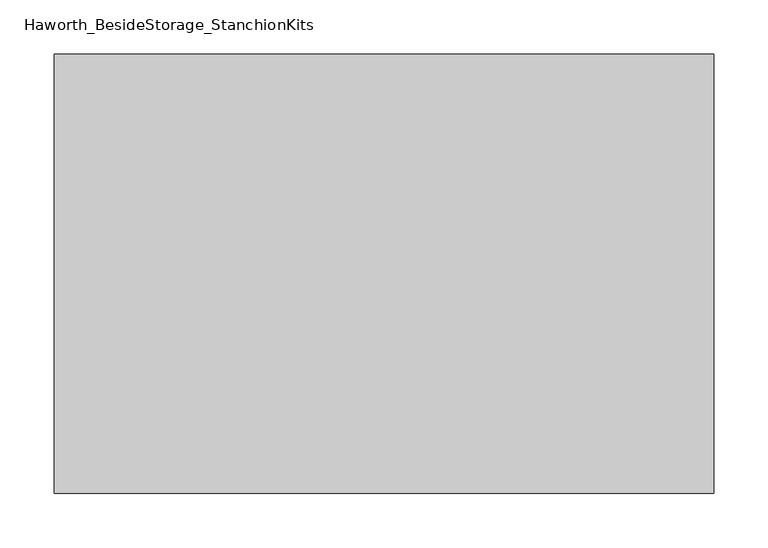
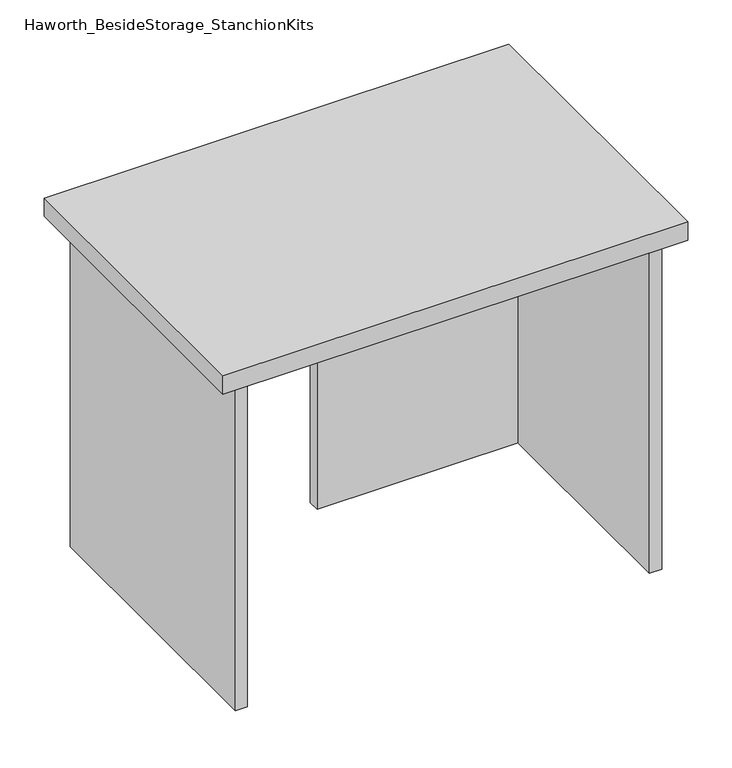
"""IFC4 building model written with IfcOpenShell, lengths in millimetres: furniture geometry, Haworth_BesideStorage_StanchionKits."""

from ifc_helpers import new_model, si_unit, frame, origin, place, context, project, spatial, polyline, outline, extrude, source, transform, mapped, element, save


def haworth_besidestorage_stanchionkits_585f1dd5(model_context):
    return source(origin(), model_context, "Body", "SweptSolid", [
        extrude(outline(polyline([(466.725, 0.0), (466.725, -406.4), (-142.875, -406.4), (-142.875, 0.0), (466.725, 0.0)])), frame((0.0, 0.0, 889.0), z_axis=(0.0, 0.0, 1.0), x_axis=(1.0, 0.0, 0.0)), (0.0, 0.0, 1.0), 25.4),
        extrude(outline(polyline([(161.925, -76.2), (425.45, -76.2), (425.45, -92.075), (161.925, -92.075), (161.925, -76.2)])), frame((0.0, 0.0, 431.8), z_axis=(0.0, 0.0, 1.0), x_axis=(1.0, 0.0, 0.0)), (0.0, 0.0, 1.0), 457.2),
        extrude(outline(polyline([(441.325, -390.525), (425.45, -390.525), (425.45, -15.875), (441.325, -15.875), (441.325, -390.525)])), frame((0.0, 0.0, 431.8), z_axis=(0.0, 0.0, 1.0), x_axis=(1.0, 0.0, 0.0)), (0.0, 0.0, 1.0), 457.2),
        extrude(outline(polyline([(-101.6, -390.525), (-117.475, -390.525), (-117.475, -15.875), (-101.6, -15.875), (-101.6, -390.525)])), frame((0.0, 0.0, 431.8), z_axis=(0.0, 0.0, 1.0), x_axis=(1.0, 0.0, 0.0)), (0.0, 0.0, 1.0), 457.2),
    ])


if __name__ == "__main__":
    model = new_model("IFC4")
    model_context = context("Model", 3, world=origin())
    ifc_project = project(units=[si_unit("LENGTHUNIT", "METRE", prefix="MILLI")], contexts=[model_context])
    site = spatial("IfcSite", under=ifc_project)
    building = spatial("IfcBuilding", under=site)
    placement = place(None, origin())
    haworth_besidestorage_stanchionkits_shape = haworth_besidestorage_stanchionkits_585f1dd5(model_context)
    element("IfcFurniture", 1, ObjectType="Haworth_BesideStorage_StanchionKits", at=placement, inside=building, context=model_context, shape_type="MappedRepresentation", body=[
        mapped(haworth_besidestorage_stanchionkits_shape, transform((0.0, 0.0, 0.0), x_axis=(1.0, 0.0, 0.0), y_axis=(0.0, 1.0, 0.0), z_axis=(0.0, 0.0, 1.0))),
    ])
    save(model, "model.ifc")
